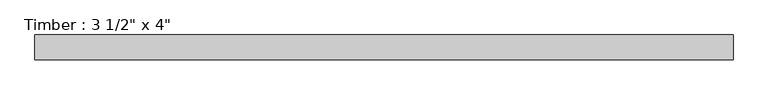
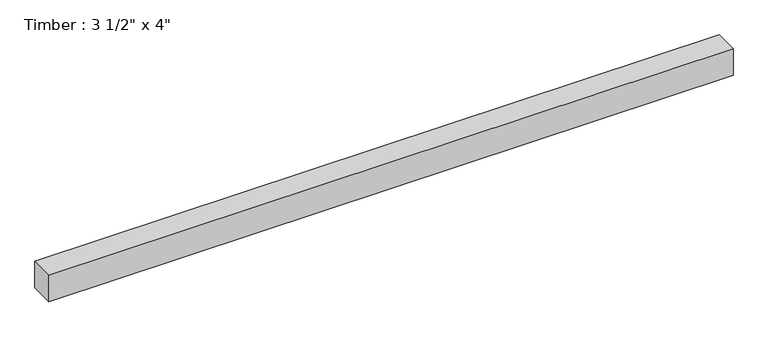
"""IFC4 building model written with IfcOpenShell, lengths in millimetres: beam geometry."""

from ifc_helpers import new_model, si_unit, frame, origin, place, context, project, spatial, polyline, outline, extrude, source, transform, mapped, element, save


def beam_69ff385f(model_context):
    return source(origin(), model_context, "Body", "SweptSolid", [
        extrude(outline(polyline([(1251.787875, 44.45), (1251.787875, -44.45), (-1251.787875, -44.45), (-1251.787875, 44.45), (1251.787875, 44.45)])), frame((0.0, 0.0, -50.8), z_axis=(0.0, 0.0, 1.0), x_axis=(1.0, 0.0, 0.0)), (0.0, 0.0, 1.0), 101.6),
    ])


if __name__ == "__main__":
    model = new_model("IFC4")
    model_context = context("Model", 3, world=origin())
    ifc_project = project(units=[si_unit("LENGTHUNIT", "METRE", prefix="MILLI")], contexts=[model_context])
    site = spatial("IfcSite", under=ifc_project)
    building = spatial("IfcBuilding", under=site)
    placement = place(None, origin())
    beam_shape = beam_69ff385f(model_context)
    element("IfcBeam", 1, ObjectType="Timber : 3 1/2\" x 4\"", at=placement, inside=building, context=model_context, shape_type="MappedRepresentation", body=[
        mapped(beam_shape, transform((0.0, 0.0, 0.0), x_axis=(1.0, 0.0, 0.0), y_axis=(0.0, 1.0, 0.0), z_axis=(0.0, 0.0, 1.0))),
    ])
    save(model, "model.ifc")
